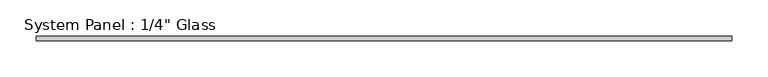
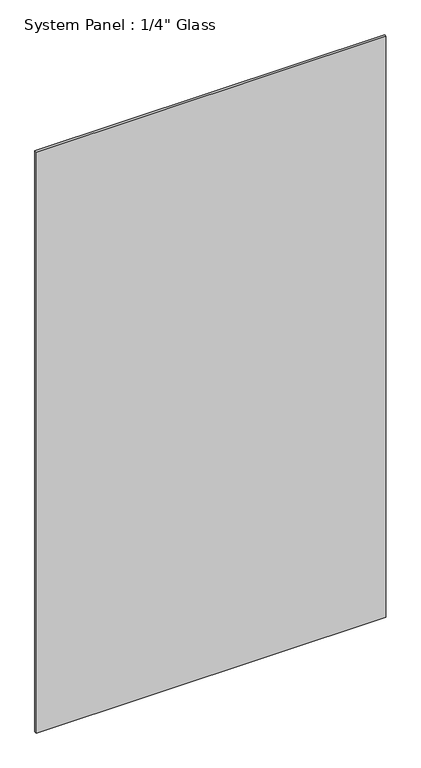
"""IFC4 building model written with IfcOpenShell, lengths in millimetres: plate geometry."""

from ifc_helpers import new_model, si_unit, origin, origin_with_axes, place, context, project, spatial, polyline, outline, extrude, source, transform, mapped, element, save


def plate_175da5bf(model_context):
    return source(origin(), model_context, "Body", "SweptSolid", [
        extrude(outline(polyline([(482.6, -3.175), (-482.6, -3.175), (-482.6, 3.175), (482.6, 3.175), (482.6, -3.175)])), origin_with_axes(), (0.0, 0.0, 1.0), 1695.45),
    ])


if __name__ == "__main__":
    model = new_model("IFC4")
    model_context = context("Model", 3, world=origin())
    ifc_project = project(units=[si_unit("LENGTHUNIT", "METRE", prefix="MILLI")], contexts=[model_context])
    site = spatial("IfcSite", under=ifc_project)
    building = spatial("IfcBuilding", under=site)
    placement = place(None, origin())
    plate_shape = plate_175da5bf(model_context)
    element("IfcPlate", 1, ObjectType="System Panel : 1/4\" Glass", at=placement, inside=building, context=model_context, shape_type="MappedRepresentation", body=[
        mapped(plate_shape, transform((0.0, 0.0, 0.0), x_axis=(1.0, 0.0, 0.0), y_axis=(0.0, 1.0, 0.0), z_axis=(0.0, 0.0, 1.0))),
    ])
    save(model, "model.ifc")
